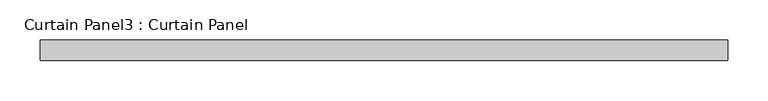
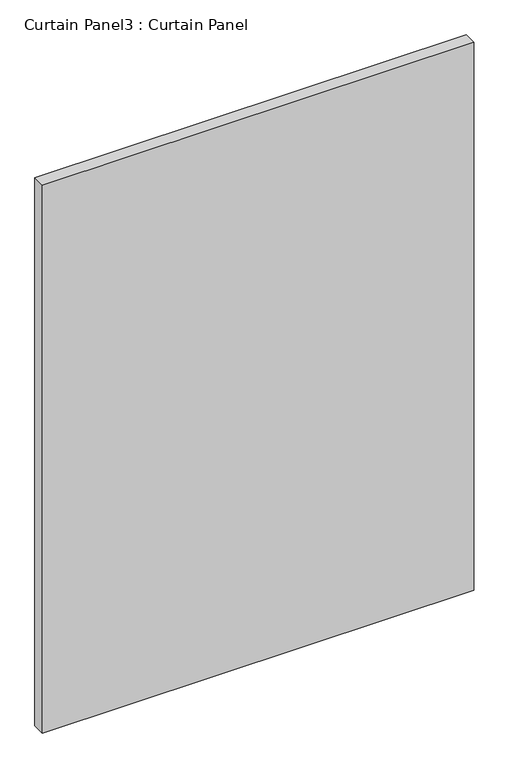
"""IFC4 building model written with IfcOpenShell, lengths in millimetres: plate geometry, Curtain Panel3 : Curtain Panel."""

from ifc_helpers import new_model, si_unit, frame, origin, place, context, project, spatial, polyline, outline, extrude, source, transform, mapped, element, save


def curtain_panel3_curtain_panel_df5b2e23(model_context):
    return source(origin(), model_context, "Body", "SweptSolid", [
        extrude(outline(polyline([(-178566.7628689, 4757.6387985), (-179417.6628689, 4757.6387985), (-179417.6628689, 4783.0387985), (-178566.7628689, 4783.0387985), (-178566.7628689, 4757.6387985)])), frame((0.0, 0.0, 2455.8625), z_axis=(0.0, 0.0, 1.0), x_axis=(1.0, 0.0, 0.0)), (0.0, 0.0, 1.0), 1143.0),
    ])


if __name__ == "__main__":
    model = new_model("IFC4")
    model_context = context("Model", 3, world=origin())
    ifc_project = project(units=[si_unit("LENGTHUNIT", "METRE", prefix="MILLI")], contexts=[model_context])
    site = spatial("IfcSite", under=ifc_project)
    building = spatial("IfcBuilding", under=site)
    placement = place(None, origin())
    curtain_panel3_curtain_panel_shape = curtain_panel3_curtain_panel_df5b2e23(model_context)
    element("IfcPlate", 1, ObjectType="Curtain Panel3 : Curtain Panel", at=placement, inside=building, context=model_context, shape_type="MappedRepresentation", body=[
        mapped(curtain_panel3_curtain_panel_shape, transform((0.0, 0.0, 0.0), x_axis=(1.0, 0.0, 0.0), y_axis=(0.0, 1.0, 0.0), z_axis=(0.0, 0.0, 1.0))),
    ])
    save(model, "model.ifc")
